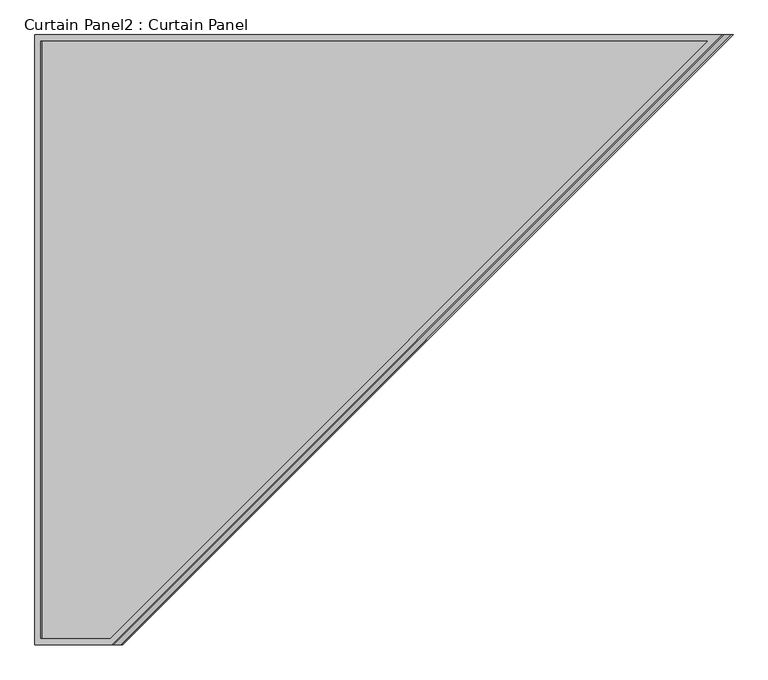
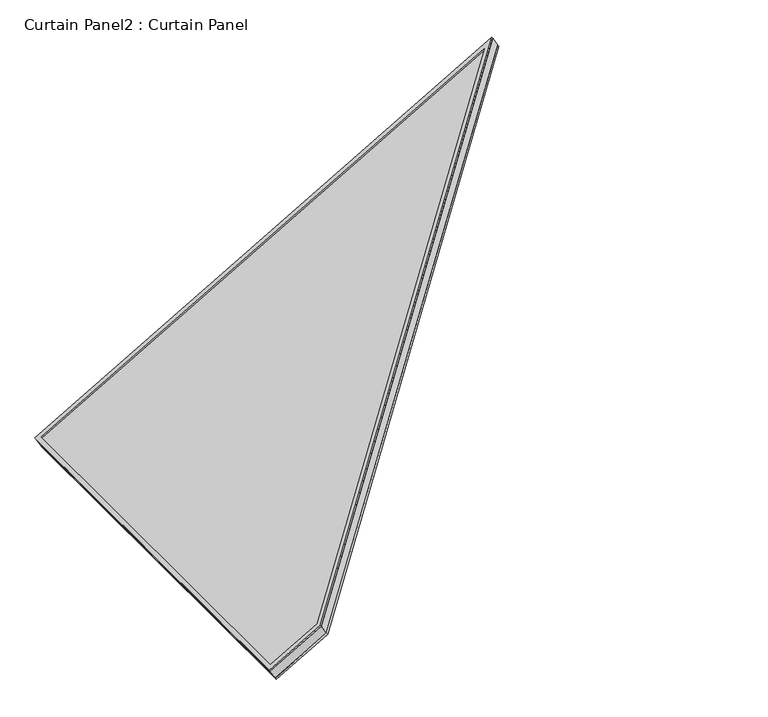
"""IFC4 building model written with IfcOpenShell, lengths in millimetres: plate geometry, Curtain Panel2 : Curtain Panel."""

from ifc_helpers import new_model, si_unit, frame, origin, place, context, project, spatial, polyline, outline, extrude, source, transform, mapped, element, save


def curtain_panel2_curtain_panel_a7a9c0b1(model_context):
    return source(origin(), model_context, "Body", "SweptSolid", [
        extrude(outline(polyline([(1518.9634688, -12.7), (-34.0642674, -12.7), (1344.4172354, 1181.1), (1518.9634688, 1181.1), (1518.9634688, -12.7)]), holes=[polyline([(1506.2634688, 1168.4), (1349.152109, 1168.4), (0.0, 0.0), (1506.2634688, 0.0), (1506.2634688, 1168.4)])]), frame((-8414.5904011, 8488.2537369, 2045.4029561), z_axis=(-0.49999999999999944, 0.0, 0.866025403784439), x_axis=(-0.866025403784439, 0.0, -0.49999999999999944)), (0.0, 0.0, 1.0), 4.767888),
        extrude(outline(polyline([(1518.9634689, -12.7), (-34.0642673, -12.7), (1344.4172355, 1181.1), (1518.9634689, 1181.1), (1518.9634689, -12.7)]), holes=[polyline([(1506.2634689, 1168.4), (1349.152109, 1168.4), (0.0, 0.0), (1506.2634689, 0.0), (1506.2634689, 1168.4)])]), frame((-8396.1629242, 8488.2537369, 2013.48563), z_axis=(-0.49999999999999956, 0.0, 0.8660254037844389), x_axis=(-0.8660254037844389, 0.0, -0.49999999999999956)), (0.0, 0.0, 1.0), 6.6924537),
        extrude(outline(polyline([(12.7, 0.0), (1206.5, 0.0), (1206.5, -1553.0277361), (12.7, -174.5462334), (12.7, 0.0)])), frame((-9714.9701025, 7294.4537369, 1259.7997305), z_axis=(-0.49999999999999867, 0.0, 0.8660254037844395), x_axis=(0.0, 1.0, 0.0)), (0.0, 0.0, 1.0), 30.1625),
    ])


if __name__ == "__main__":
    model = new_model("IFC4")
    model_context = context("Model", 3, world=origin())
    ifc_project = project(units=[si_unit("LENGTHUNIT", "METRE", prefix="MILLI")], contexts=[model_context])
    site = spatial("IfcSite", under=ifc_project)
    building = spatial("IfcBuilding", under=site)
    placement = place(None, origin())
    curtain_panel2_curtain_panel_shape = curtain_panel2_curtain_panel_a7a9c0b1(model_context)
    element("IfcPlate", 1, ObjectType="Curtain Panel2 : Curtain Panel", at=placement, inside=building, context=model_context, shape_type="MappedRepresentation", body=[
        mapped(curtain_panel2_curtain_panel_shape, transform((0.0, 0.0, 0.0), x_axis=(1.0, 0.0, 0.0), y_axis=(0.0, 1.0, 0.0), z_axis=(0.0, 0.0, 1.0))),
    ])
    save(model, "model.ifc")
